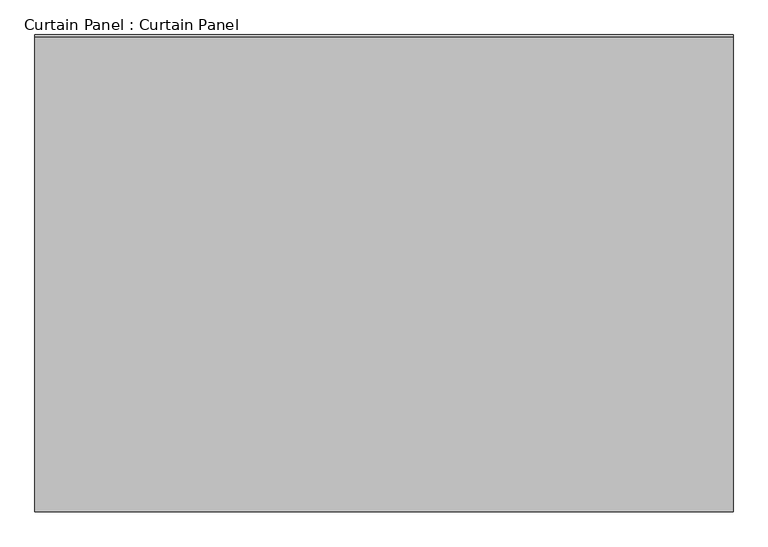
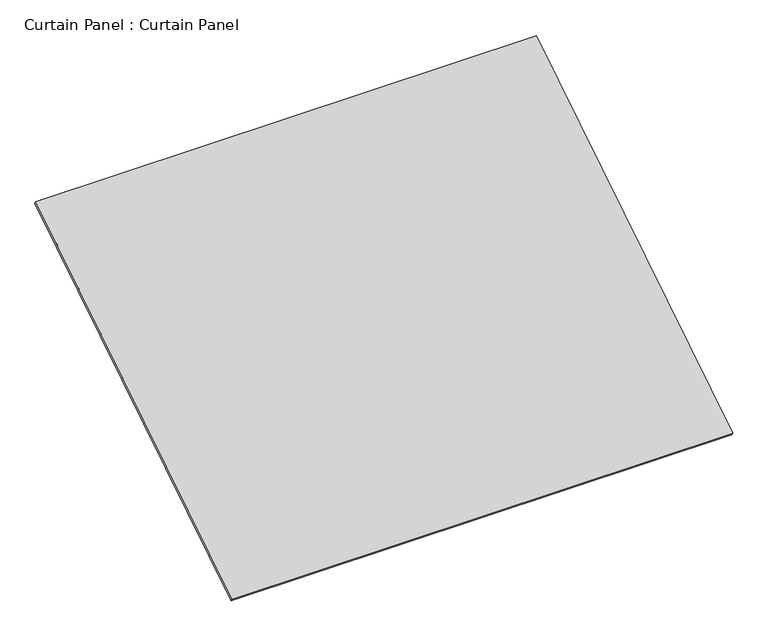
"""IFC4 building model written with IfcOpenShell, lengths in millimetres: plate geometry, Curtain Panel : Curtain Panel."""

from ifc_helpers import new_model, si_unit, frame, origin, place, context, project, spatial, polyline, outline, extrude, source, transform, mapped, element, save


def curtain_panel_curtain_panel_6fe12ce3(model_context):
    return source(origin(), model_context, "Body", "SweptSolid", [
        extrude(outline(polyline([(3754.902951, 0.0), (3754.902951, -3013.075), (0.0, -3013.075), (0.0, 0.0), (3754.902951, 0.0)])), frame((-126814.6430895, -6506.9755787, 5560.7850437), z_axis=(0.0, -0.5318918435658209, 0.8468122972348432), x_axis=(-1.0, 0.0, 0.0)), (0.0, 0.0, 1.0), 25.4),
    ])


if __name__ == "__main__":
    model = new_model("IFC4")
    model_context = context("Model", 3, world=origin())
    ifc_project = project(units=[si_unit("LENGTHUNIT", "METRE", prefix="MILLI")], contexts=[model_context])
    site = spatial("IfcSite", under=ifc_project)
    building = spatial("IfcBuilding", under=site)
    placement = place(None, origin())
    curtain_panel_curtain_panel_shape = curtain_panel_curtain_panel_6fe12ce3(model_context)
    element("IfcPlate", 1, ObjectType="Curtain Panel : Curtain Panel", at=placement, inside=building, context=model_context, shape_type="MappedRepresentation", body=[
        mapped(curtain_panel_curtain_panel_shape, transform((0.0, 0.0, 0.0), x_axis=(1.0, 0.0, 0.0), y_axis=(0.0, 1.0, 0.0), z_axis=(0.0, 0.0, 1.0))),
    ])
    save(model, "model.ifc")
